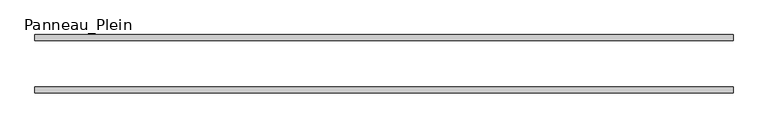
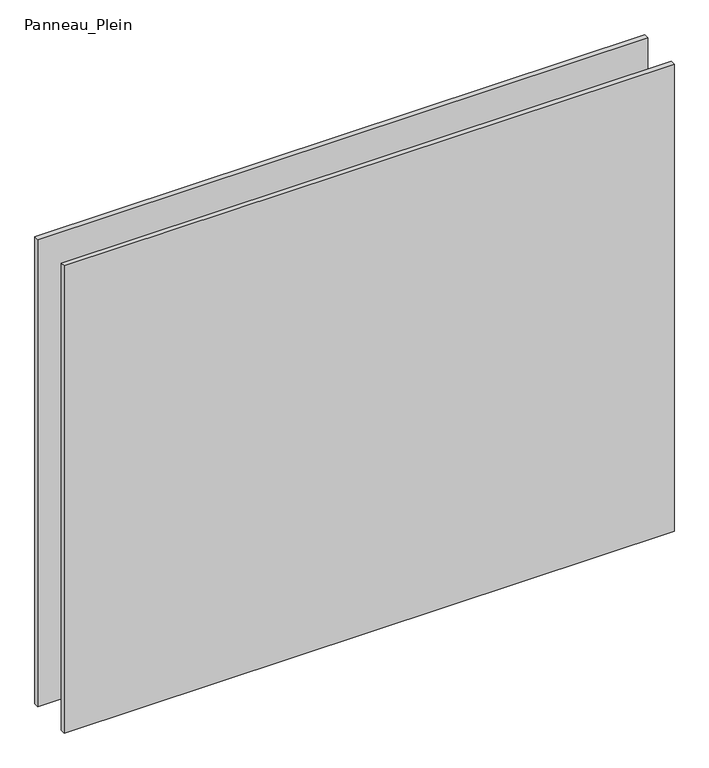
"""IFC4 building model written with IfcOpenShell, lengths in millimetres: plate geometry, Panneau_Plein."""

from ifc_helpers import new_model, si_unit, origin, origin_with_axes, place, context, project, spatial, polyline, outline, extrude, source, transform, mapped, element, save


def panneau_plein_430b6d16(model_context):
    return source(origin(), model_context, "Body", "SweptSolid", [
        extrude(outline(polyline([(599.6, 50.0), (599.6, 40.0), (-599.6, 40.0), (-599.6, 50.0), (599.6, 50.0)])), origin_with_axes(), (0.0, 0.0, 1.0), 971.1805856),
        extrude(outline(polyline([(599.6, -40.0), (599.6, -50.0), (-599.6, -50.0), (-599.6, -40.0), (599.6, -40.0)])), origin_with_axes(), (0.0, 0.0, 1.0), 971.1805856),
    ])


if __name__ == "__main__":
    model = new_model("IFC4")
    model_context = context("Model", 3, world=origin())
    ifc_project = project(units=[si_unit("LENGTHUNIT", "METRE", prefix="MILLI")], contexts=[model_context])
    site = spatial("IfcSite", under=ifc_project)
    building = spatial("IfcBuilding", under=site)
    placement = place(None, origin())
    panneau_plein_shape = panneau_plein_430b6d16(model_context)
    element("IfcPlate", 1, ObjectType="Panneau_Plein", at=placement, inside=building, context=model_context, shape_type="MappedRepresentation", body=[
        mapped(panneau_plein_shape, transform((0.0, 0.0, 0.0), x_axis=(1.0, 0.0, 0.0), y_axis=(0.0, 1.0, 0.0), z_axis=(0.0, 0.0, 1.0))),
    ])
    save(model, "model.ifc")
